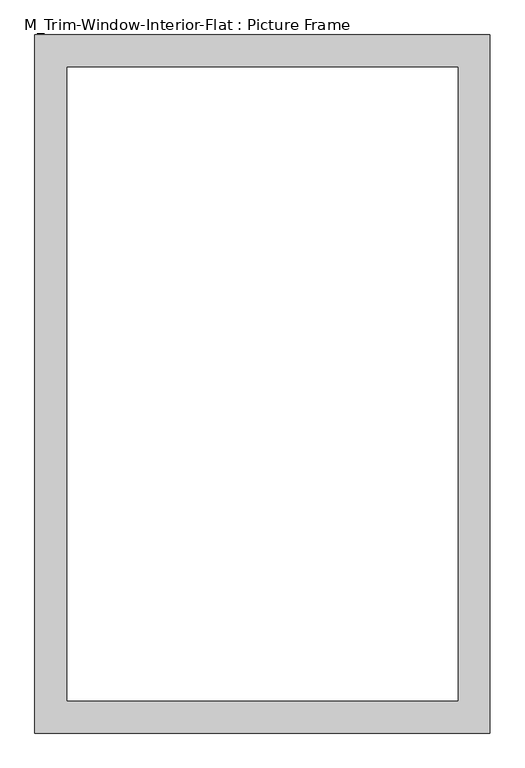
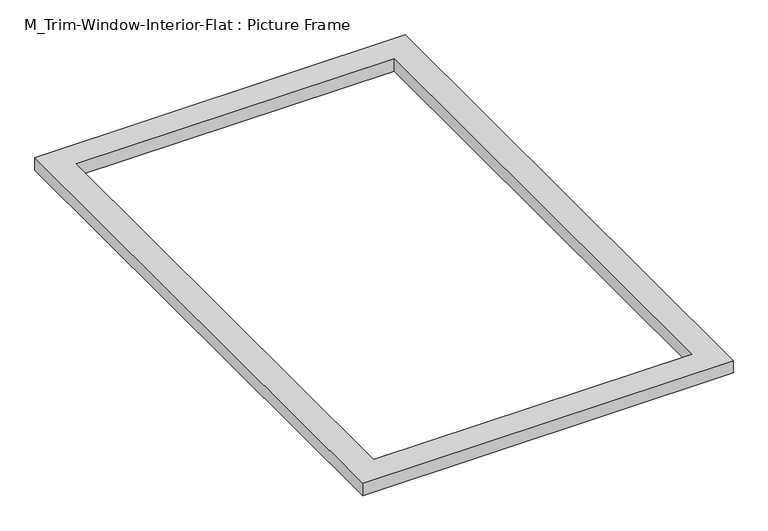
"""IFC4 building model written with IfcOpenShell, lengths in millimetres: proxy geometry, M_Trim-Window-Interior-Flat : Picture Frame."""

from ifc_helpers import new_model, si_unit, origin, origin_with_axes, place, context, project, spatial, polyline, outline, extrude, source, transform, mapped, element, save


def m_trim_window_interior_flat_picture_frame_31bd2320(model_context):
    return source(origin(), model_context, "Body", "SweptSolid", [
        extrude(outline(polyline([(422.3, 47.3), (422.3, -1247.3), (-422.3, -1247.3), (-422.3, 47.3), (422.3, 47.3)]), holes=[polyline([(362.3, -12.7), (-362.3, -12.7), (-362.3, -1187.3), (362.3, -1187.3), (362.3, -12.7)])]), origin_with_axes(), (0.0, 0.0, 1.0), 30.0),
    ])


if __name__ == "__main__":
    model = new_model("IFC4")
    model_context = context("Model", 3, world=origin())
    ifc_project = project(units=[si_unit("LENGTHUNIT", "METRE", prefix="MILLI")], contexts=[model_context])
    site = spatial("IfcSite", under=ifc_project)
    building = spatial("IfcBuilding", under=site)
    placement = place(None, origin())
    m_trim_window_interior_flat_picture_frame_shape = m_trim_window_interior_flat_picture_frame_31bd2320(model_context)
    element("IfcBuildingElementProxy", 1, Name="M_Trim-Window-Interior-Flat : Picture Frame", ObjectType="M_Trim-Window-Interior-Flat : Picture Frame", at=placement, inside=building, context=model_context, shape_type="MappedRepresentation", body=[
        mapped(m_trim_window_interior_flat_picture_frame_shape, transform((0.0, 0.0, 0.0), x_axis=(1.0, 0.0, 0.0), y_axis=(0.0, 1.0, 0.0), z_axis=(0.0, 0.0, 1.0))),
    ])
    save(model, "model.ifc")
